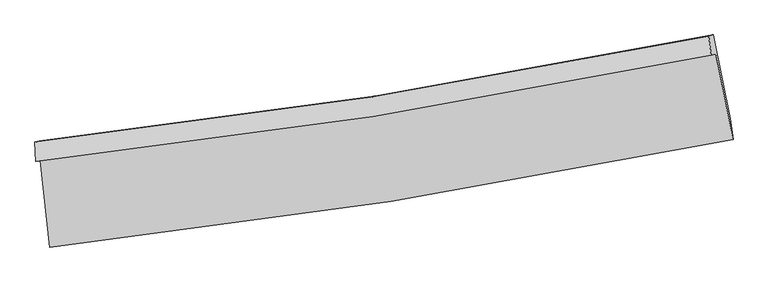
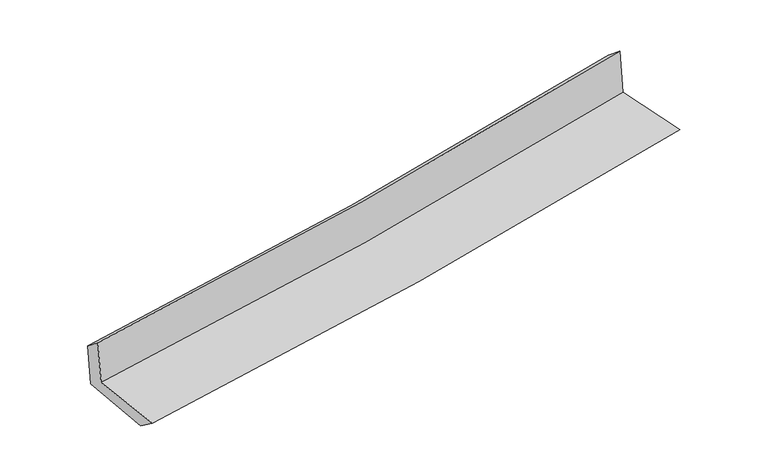
"""IFC4 building model written with IfcOpenShell, lengths in millimetres: proxy geometry."""

from ifc_helpers import new_model, si_unit, frame, origin, place, context, project, spatial, source, transform, mapped, element, save
from ifc_brep_helpers import plane_surface, spline_curve, spline_surface, advanced_brep


def generic_models_0ca3a4f3(model_context):
    return source(origin(), model_context, "Body", "AdvancedBrep", [
        advanced_brep(
        [(-2594.3195055, -1889.9336389, 1664.8298377), (-2520.1574608, -2551.7336022, 1654.9444351), (2683.307337, -1731.4023294, 2115.5131767), (2552.2708451, -1078.4210492, 2120.1829792), (-2628.8749316, -1899.6806846, 2058.1262624), (2516.2001142, -1088.5955168, 2530.7260144), (-2634.7502226, -1751.3070907, 1941.6773773), (2498.3420384, -942.0144211, 2407.2619811), (-2601.7463734, -1741.9976981, 1566.0403976), (2532.2529729, -932.449167, 2021.30091), (-2527.227115, -2388.4891923, 1533.507383), (2662.4777162, -1570.7984516, 1993.8466715)],
        [
            (0, 1),
            (1, 2, spline_curve(3, [(-2520.1574608, -2551.7336022, 1654.9444351), (-1652.177382641, -2455.649618201, 1727.505521635), (-787.298983394, -2339.807053047, 1801.911284752), (947.269075921, -2066.871603666, 1955.386742493), (1816.878942856, -1909.270410963, 2034.503893389), (2683.307337, -1731.4023294, 2115.5131767)], [4, 2, 4], [0.0, 8.574779960691814, 17.259156678220833])),
            (2, 3),
            (3, 0, spline_curve(3, [(2552.2708451, -1078.4210492, 2120.1829792), (1695.761610856, -1254.325749217, 2040.093861761), (835.8797516, -1410.207231807, 1961.874042994), (-879.734953096, -1680.2092315, 1810.136546087), (-1735.383210608, -1794.831945679, 1736.571984158), (-2594.3195055, -1889.9336389, 1664.8298377)], [4, 2, 4], [0.0, 8.68437671752902, 17.259156678220833])),
            (4, 0),
            (3, 5),
            (5, 4, spline_curve(3, [(2516.2001142, -1088.5955168, 2530.7260144), (1660.156614907, -1264.368847095, 2445.336082733), (800.634028657, -1420.148989553, 2363.027159124), (-914.478244625, -1690.00926849, 2205.571182075), (-1769.980673737, -1804.590848735, 2130.346855324), (-2628.8749316, -1899.6806846, 2058.1262624)], [4, 2, 4], [0.0, 8.636644627088888, 17.16429487589685])),
            (6, 4),
            (5, 7),
            (7, 6, spline_curve(3, [(2498.3420384, -942.0144211, 2407.2619811), (1644.136300632, -1117.452762808, 2325.967032417), (786.538047648, -1272.915196771, 2246.284641845), (-924.577792623, -1542.178409879, 2091.130217943), (-1778.010293372, -1656.480199297, 2015.617740561), (-2634.7502226, -1751.3070907, 1941.6773773)], [4, 2, 4], [0.0, 8.626146000646678, 17.143430115584636])),
            (8, 6),
            (7, 9),
            (9, 8, spline_curve(3, [(2532.2529729, -932.449167, 2021.30091), (1677.907799507, -1107.926839537, 1941.592964499), (820.163717838, -1263.430407079, 1863.570339099), (-891.254644777, -1532.778952704, 1711.859104018), (-1744.843678629, -1647.124895299, 1638.128225332), (-2601.7463734, -1741.9976981, 1566.0403976)], [4, 2, 4], [0.0, 8.615661103116489, 17.12259263983772])),
            (10, 8),
            (9, 11),
            (11, 10, spline_curve(3, [(2662.4777162, -1570.7984516, 1993.8466715), (1798.436561836, -1748.279860814, 1913.234221001), (931.174008546, -1905.466096998, 1834.333591529), (-798.808397015, -2177.520659801, 1680.930095553), (-1661.447453857, -2292.898003856, 1606.384295669), (-2527.227115, -2388.4891923, 1533.507383)], [4, 2, 4], [0.0, 8.662361916764281, 17.21540490328096])),
            (1, 10),
            (11, 2),
        ],
        [
            spline_surface(3, 3, [[(-2594.3195055, -1889.9336389, 1664.8298377), (-1735.3832107, -1794.831945721, 1736.571984202), (-879.734953114, -1680.209231599, 1810.136545965), (835.879751618, -1410.207231707, 1961.874043118), (1695.761610884, -1254.325749258, 2040.093861843), (2552.2708451, -1078.4210492, 2120.1829792)], [(-2569.598823942, -2110.533626685, 1661.534703507), (-1707.647934701, -2015.104503202, 1733.549830049), (-848.922963244, -1900.075172096, 1807.394792208), (873.009526429, -1629.095355672, 1959.711609586), (1736.134054846, -1472.640636525, 2038.230539036), (2595.949675724, -1296.081475934, 2118.626378369)], [(-2544.878142358, -2331.133614415, 1658.239569293), (-1679.912658676, -2235.37706063, 1730.527675874), (-818.110973383, -2119.941112603, 1804.653038465), (910.139301231, -1847.983479647, 1957.549176068), (1776.506498837, -1690.95552379, 2036.36721622), (2639.628506376, -1513.741902666, 2117.069777531)], [(-2520.1574608, -2551.7336022, 1654.9444351), (-1652.177382676, -2455.649618112, 1727.505521721), (-787.298983513, -2339.8070531, 1801.911284708), (947.269076042, -2066.871603612, 1955.386742536), (1816.878942799, -1909.270411057, 2034.503893413), (2683.307337, -1731.4023294, 2115.5131767)]], [4, 4], [4, 2, 4], [0.0, 2.18509029250621], [0.0, 8.574779960691814, 17.259156678220833]),
            spline_surface(3, 3, [[(-2628.8749316, -1899.6806846, 2058.1262624), (-1769.980673598, -1804.590848736, 2130.346855395), (-914.478244615, -1690.009268568, 2205.5711822), (800.634028647, -1420.148989473, 2363.027158997), (1660.156614942, -1264.368847043, 2445.336082828), (2516.2001142, -1088.5955168, 2530.7260144)], [(-2617.356456228, -1896.431669337, 1927.027454171), (-1758.44818596, -1801.337881035, 1999.088565002), (-902.897147427, -1686.742589576, 2073.759636813), (812.382602992, -1416.835070215, 2229.309453729), (1672.024946942, -1261.021147754, 2310.255342494), (2528.223691186, -1085.204027573, 2393.878335994)], [(-2605.837980872, -1893.182654163, 1795.928645929), (-1746.915698339, -1798.084913422, 1867.830274595), (-891.316050302, -1683.475910592, 1941.948091352), (824.131177273, -1413.521150965, 2095.591748386), (1683.893278884, -1257.673448547, 2175.174602177), (2540.247268114, -1081.812538427, 2257.030657606)], [(-2594.3195055, -1889.9336389, 1664.8298377), (-1735.3832107, -1794.831945721, 1736.571984202), (-879.734953114, -1680.209231599, 1810.136545965), (835.879751618, -1410.207231707, 1961.874043118), (1695.761610884, -1254.325749258, 2040.093861843), (2552.2708451, -1078.4210492, 2120.1829792)]], [4, 4], [4, 2, 4], [0.0, 1.3122922676666349], [0.0, 8.527650248807962, 17.16429487589685]),
            spline_surface(3, 3, [[(-2634.7502226, -1751.3070907, 1941.6773773), (-1778.010293417, -1656.480199186, 2015.617740555), (-924.577792689, -1542.178409874, 2091.130217992), (786.538047716, -1272.915196776, 2246.284641795), (1644.136300611, -1117.452762913, 2325.967032312), (2498.3420384, -942.0144211, 2407.2619811)], [(-2632.791792258, -1800.764955339, 1980.493672308), (-1775.333753468, -1705.850415708, 2053.860778809), (-921.211276667, -1591.455362788, 2129.277206036), (791.236708024, -1321.993127691, 2285.19881417), (1649.476405369, -1166.424790973, 2365.756715818), (2504.294730314, -990.87478635, 2448.416658867)], [(-2630.833361942, -1850.222819961, 2019.309967392), (-1772.657213547, -1755.220632214, 2092.103817141), (-917.844760637, -1640.732315654, 2167.424194156), (795.935368339, -1371.071058558, 2324.112986622), (1654.816510184, -1215.396818982, 2405.546399322), (2510.247422286, -1039.73515155, 2489.571336633)], [(-2628.8749316, -1899.6806846, 2058.1262624), (-1769.980673598, -1804.590848736, 2130.346855395), (-914.478244615, -1690.009268568, 2205.5711822), (800.634028647, -1420.148989473, 2363.027158997), (1660.156614942, -1264.368847043, 2445.336082828), (2516.2001142, -1088.5955168, 2530.7260144)]], [4, 4], [4, 2, 4], [0.0, 0.616208709643728], [0.0, 8.517284114937958, 17.143430115584636]),
            spline_surface(3, 3, [[(-2601.7463734, -1741.9976981, 1566.0403976), (-1744.843678555, -1647.124895291, 1638.128225374), (-891.254644712, -1532.778952628, 1711.859104001), (820.163717773, -1263.430407155, 1863.570339116), (1677.907799371, -1107.926839439, 1941.592964592), (2532.2529729, -932.449167, 2021.30091)], [(-2612.747656475, -1745.10082898, 1691.252724191), (-1755.899216851, -1650.243329937, 1763.958063792), (-902.362360705, -1535.912105032, 1838.282808684), (808.955161086, -1266.592003684, 1991.141773362), (1666.650633135, -1111.102147258, 2069.717653831), (2520.949328084, -935.637585028, 2149.954600365)], [(-2623.748939525, -1748.20395982, 1816.465050709), (-1766.954755121, -1653.361764541, 1889.787902137), (-913.470076696, -1539.04525747, 1964.706513309), (797.746604402, -1269.753600247, 2118.713207549), (1655.393466847, -1114.277455093, 2197.842343073), (2509.645683216, -938.826003072, 2278.608290735)], [(-2634.7502226, -1751.3070907, 1941.6773773), (-1778.010293417, -1656.480199186, 2015.617740555), (-924.577792689, -1542.178409874, 2091.130217992), (786.538047716, -1272.915196776, 2246.284641795), (1644.136300611, -1117.452762913, 2325.967032312), (2498.3420384, -942.0144211, 2407.2619811)]], [4, 4], [4, 2, 4], [0.0, 1.2552457708189761], [0.0, 8.50693153672123, 17.12259263983772]),
            spline_surface(3, 3, [[(-2527.227115, -2388.4891923, 1533.507383), (-1661.447453884, -2292.898003723, 1606.384295775), (-798.80839694, -2177.520659774, 1680.930095643), (931.174008469, -1905.466097025, 1834.333591438), (1798.436561914, -1748.279860789, 1913.234221093), (2662.4777162, -1570.7984516, 1993.8466715)], [(-2552.066867799, -2172.99202755, 1544.351721184), (-1689.24619544, -2077.640300895, 1616.965605625), (-829.623812879, -1962.606757399, 1691.2397651), (894.170578222, -1691.454200409, 1844.079174002), (1758.260307725, -1534.828853686, 1922.687135603), (2619.069468425, -1358.015356747, 2002.998084344)], [(-2576.906620601, -1957.49486285, 1555.196059416), (-1717.044936998, -1862.382598119, 1627.546915524), (-860.439228773, -1747.692855003, 1701.549434544), (857.16714802, -1477.442303772, 1853.824756553), (1718.08405356, -1321.377846542, 1932.140050082), (2575.661220675, -1145.232261853, 2012.149497156)], [(-2601.7463734, -1741.9976981, 1566.0403976), (-1744.843678555, -1647.124895291, 1638.128225374), (-891.254644712, -1532.778952628, 1711.859104001), (820.163717773, -1263.430407155, 1863.570339116), (1677.907799371, -1107.926839439, 1941.592964592), (2532.2529729, -932.449167, 2021.30091)]], [4, 4], [4, 2, 4], [0.0, 2.139358774939414], [0.0, 8.553042986516678, 17.21540490328096]),
            spline_surface(3, 3, [[(-2520.1574608, -2551.7336022, 1654.9444351), (-1652.177382676, -2455.649618112, 1727.505521721), (-787.298983513, -2339.8070531, 1801.911284708), (947.269076042, -2066.871603612, 1955.386742536), (1816.878942799, -1909.270411057, 2034.503893413), (2683.307337, -1731.4023294, 2115.5131767)], [(-2522.514012199, -2497.31879891, 1614.465417739), (-1655.267406411, -2401.399079992, 1687.131779744), (-791.135454661, -2285.711588652, 1761.584221669), (941.904053512, -2013.069768077, 1915.035692153), (1810.731482505, -1855.606894302, 1994.080669299), (2676.364130067, -1677.867703468, 2074.95767496)], [(-2524.870563601, -2442.90399559, 1573.986400361), (-1658.35743015, -2347.148541843, 1646.758037751), (-794.971925792, -2231.616124222, 1721.257158683), (936.539030999, -1959.26793256, 1874.684641822), (1804.584022209, -1801.943377544, 1953.657445207), (2669.420923133, -1624.333077532, 2034.40217324)], [(-2527.227115, -2388.4891923, 1533.507383), (-1661.447453884, -2292.898003723, 1606.384295775), (-798.80839694, -2177.520659774, 1680.930095643), (931.174008469, -1905.466097025, 1834.333591438), (1798.436561914, -1748.279860789, 1913.234221093), (2662.4777162, -1570.7984516, 1993.8466715)]], [4, 4], [4, 2, 4], [0.0, 0.6645533749722018], [0.0, 8.61051174953623, 17.331076954296243]),
            plane_surface(frame((2574.1418373, -1223.9468225, 2198.1386221), z_axis=(0.9765423284109574, 0.19531862725763632, 0.09064057958717205), x_axis=(-0.08749718918029536, -0.024680323907534357, 0.9958589877574872))),
            plane_surface(frame((-2584.5126015, -2037.1903178, 1736.5209488), z_axis=(-0.9899217239542727, -0.1095920007102913, -0.08969154822900686), x_axis=(-0.11135179535573278, 0.9936702043395144, 0.014842596771547957))),
        ],
        [
            (0, [[1, 2, 3, 4]]),
            (1, [[5, -4, 6, 7]]),
            (2, [[8, -7, 9, 10]]),
            (3, [[11, -10, 12, 13]]),
            (4, [[14, -13, 15, 16]]),
            (5, [[17, -16, 18, -2]]),
            (6, [[-12, -9, -6, -3, -18, -15]]),
            (7, [[-1, -5, -8, -11, -14, -17]]),
        ],
    ),
    ])


if __name__ == "__main__":
    model = new_model("IFC4")
    model_context = context("Model", 3, world=origin())
    ifc_project = project(units=[si_unit("LENGTHUNIT", "METRE", prefix="MILLI")], contexts=[model_context])
    site = spatial("IfcSite", under=ifc_project)
    building = spatial("IfcBuilding", under=site)
    placement = place(None, origin())
    generic_models_shape = generic_models_0ca3a4f3(model_context)
    element("IfcBuildingElementProxy", 1, Name="Generic Models", at=placement, inside=building, context=model_context, shape_type="MappedRepresentation", body=[
        mapped(generic_models_shape, transform((0.0, 0.0, 0.0), x_axis=(1.0, 0.0, 0.0), y_axis=(0.0, 1.0, 0.0), z_axis=(0.0, 0.0, 1.0))),
    ])
    save(model, "model.ifc")
